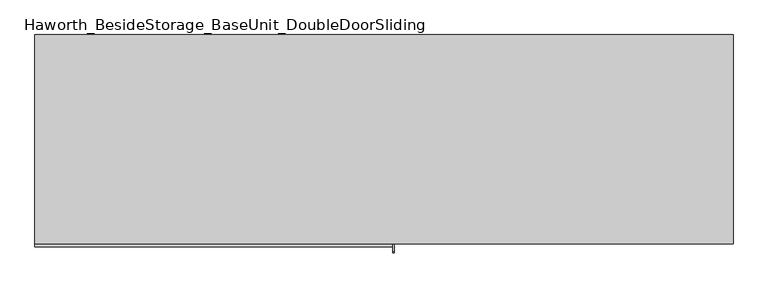
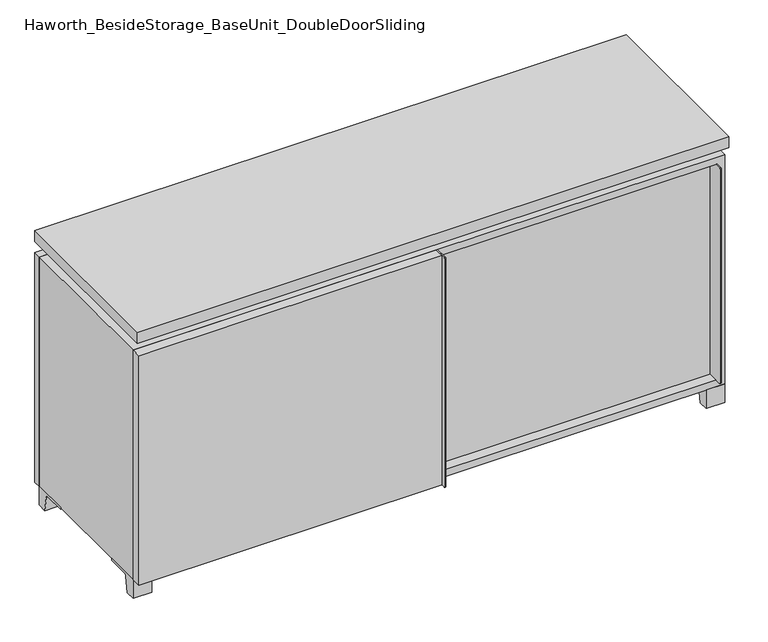
"""IFC4 building model written with IfcOpenShell, lengths in millimetres: furniture geometry, Haworth_BesideStorage_BaseUnit_DoubleDoorSliding."""

import ifcopenshell
import ifcopenshell.guid

model = None  # the IFC model being written
_history = None  # IfcOwnerHistory: only IFC2X3 demands one
_inside = {}  # id of a spatial element -> (the spatial element, [elements in it])
_under = {}  # id of a project, library or spatial element -> (it, [spatial elements below it])
_declared = {}  # id of a project -> (the project, [libraries it declares])
_typed = {}  # id of a type object -> (the type object, [elements of that type])
_made_of = {}  # id of a material, layer set ... -> (it, [elements and type objects made of it])


def new_model(schema):
    """Start an empty IFC model of exactly this schema.

    Asked for "IFC4X3", IfcOpenShell would pick the latest addendum, in which some entities
    have other attributes; the version numbers below select the first issue.
    IFC2X3 requires an IfcOwnerHistory on every rooted entity: one is made here for all.
    """
    global model, _history
    if schema == "IFC4X3":
        model = ifcopenshell.file(schema_version=(4, 3, 0, 0))
    else:
        model = ifcopenshell.file(schema=schema)
    _inside.clear()
    _under.clear()
    _declared.clear()
    _typed.clear()
    _made_of.clear()
    _history = None
    if model.schema == "IFC2X3":
        org = make("IfcOrganization", Name="unknown")
        user = make(
            "IfcPersonAndOrganization",
            ThePerson=make("IfcPerson", FamilyName="unknown"),
            TheOrganization=org,
        )
        app = make(
            "IfcApplication",
            ApplicationDeveloper=org,
            Version="unknown",
            ApplicationFullName="unknown",
            ApplicationIdentifier="unknown",
        )
        _history = make(
            "IfcOwnerHistory",
            OwningUser=user,
            OwningApplication=app,
            ChangeAction="ADDED",
            CreationDate=0,
        )
    return model


def make(cls, **values):
    """One entity of the class cls with the attributes given. An attribute that is None is left unset."""
    return model.create_entity(
        cls, **{name: value for name, value in values.items() if value is not None}
    )


def rooted(cls, **values):
    """An entity with a GlobalId (a new one), such as an element, a storey or a relation."""
    return make(cls, GlobalId=ifcopenshell.guid.new(), OwnerHistory=_history, **values)


def si_unit(unit_type, name, prefix=None):
    """IfcSIUnit, for example si_unit("LENGTHUNIT", "METRE", prefix="MILLI")."""
    return make("IfcSIUnit", UnitType=unit_type, Prefix=prefix, Name=name)


def assignment(units):
    """IfcUnitAssignment: the units of a project."""
    return None if units is None else make("IfcUnitAssignment", Units=units)


def point(xyz):
    """IfcCartesianPoint."""
    return None if xyz is None else make("IfcCartesianPoint", Coordinates=xyz)


def direction(xyz):
    """IfcDirection."""
    return None if xyz is None else make("IfcDirection", DirectionRatios=xyz)


def frame(location, z_axis=None, x_axis=None):
    """IfcAxis2Placement3D, a coordinate frame: its origin and axes. An axis left out is left unset."""
    return make(
        "IfcAxis2Placement3D",
        Location=point(location),
        Axis=direction(z_axis),
        RefDirection=direction(x_axis),
    )


def frame_2d(location, x_axis=None):
    """IfcAxis2Placement2D, a coordinate frame in the plane: its origin and x axis."""
    return make(
        "IfcAxis2Placement2D", Location=point(location), RefDirection=direction(x_axis)
    )


def origin():
    """The frame at (0, 0, 0) with its axes left unset."""
    return frame((0.0, 0.0, 0.0))


def place(relative_to, where):
    """IfcLocalPlacement: puts the frame where relative to a parent placement (None: the world)."""
    return make(
        "IfcLocalPlacement", PlacementRelTo=relative_to, RelativePlacement=where
    )


def context(
    kind, dimensions, precision=None, world=None, true_north=None, identifier=None
):
    """IfcGeometricRepresentationContext, for example the 3D "Model" context."""
    return make(
        "IfcGeometricRepresentationContext",
        ContextIdentifier=identifier,
        ContextType=kind,
        CoordinateSpaceDimension=dimensions,
        Precision=precision,
        WorldCoordinateSystem=world,
        TrueNorth=true_north,
    )


def project(units=None, contexts=None):
    """IfcProject with its units and contexts."""
    return rooted(
        "IfcProject",
        Name="project",
        RepresentationContexts=contexts,
        UnitsInContext=assignment(units),
    )


def spatial(cls, under=None, at=None, **own):
    """A site, building, storey or space (cls), placed at a placement, below another one or the project."""
    s = rooted(cls, ObjectPlacement=at, **own)
    if under is not None:
        _under.setdefault(under.id(), (under, []))[1].append(s)
    return s


def polyline(points):
    """IfcPolyline through the points."""
    return make("IfcPolyline", Points=[point(p) for p in points])


def circle_curve(where, radius):
    """IfcCircle in the frame where."""
    return make("IfcCircle", Position=where, Radius=radius)


def trimmed(basis, trim1, trim2, sense, master):
    """IfcTrimmedCurve: the piece of a basis curve between two trims."""
    return make(
        "IfcTrimmedCurve",
        BasisCurve=basis,
        Trim1=trim1,
        Trim2=trim2,
        SenseAgreement=sense,
        MasterRepresentation=master,
    )


def segment(curve, same_sense, transition):
    """IfcCompositeCurveSegment."""
    return make(
        "IfcCompositeCurveSegment",
        Transition=transition,
        SameSense=same_sense,
        ParentCurve=curve,
    )


def composite_curve(segments, self_intersect=None):
    """IfcCompositeCurve: segments joined end to end."""
    return make("IfcCompositeCurve", Segments=segments, SelfIntersect=self_intersect)


def outline(outer, holes=None, kind="AREA"):
    """IfcArbitraryClosedProfileDef: a profile drawn as a closed curve; with holes, ...WithVoids."""
    if holes is None:
        return make("IfcArbitraryClosedProfileDef", ProfileType=kind, OuterCurve=outer)
    return make(
        "IfcArbitraryProfileDefWithVoids",
        ProfileType=kind,
        OuterCurve=outer,
        InnerCurves=holes,
    )


def extrude(swept, where, along, depth):
    """IfcExtrudedAreaSolid: the profile swept, set in the frame where, extruded along a direction by depth."""
    return make(
        "IfcExtrudedAreaSolid",
        SweptArea=swept,
        Position=where,
        ExtrudedDirection=direction(along),
        Depth=depth,
    )


def faces_of(points, faces, orient=None, outer=None):
    """IfcFace entities. A face is a list of loops; a loop is a list of indices into points, from 0.

    orient and outer hold one flag for each loop. By default every Orientation is true, the
    first loop of a face is its IfcFaceOuterBound and the others are IfcFaceBound.
    """
    made = []
    for i, loops in enumerate(faces):
        bounds = []
        for j, loop in enumerate(loops):
            is_outer = j == 0 if outer is None else outer[i][j]
            bounds.append(
                make(
                    "IfcFaceOuterBound" if is_outer else "IfcFaceBound",
                    Bound=make("IfcPolyLoop", Polygon=[points[k] for k in loop]),
                    Orientation=True if orient is None else orient[i][j],
                )
            )
        made.append(make("IfcFace", Bounds=bounds))
    return made


def faceted_brep(points, faces, orient=None, outer=None, voids=None):
    """IfcFacetedBrep: a solid bounded by flat faces; with voids (closed shells), ...WithVoids."""
    shared = [point(p) for p in points]
    hull = make("IfcClosedShell", CfsFaces=faces_of(shared, faces, orient, outer))
    if voids is None:
        return make("IfcFacetedBrep", Outer=hull)
    return make(
        "IfcFacetedBrepWithVoids",
        Outer=hull,
        Voids=[
            make(cls, CfsFaces=faces_of(shared, fs, o, b)) for cls, fs, o, b in voids
        ],
    )


def shape(context_of_items, identifier, shape_type, items):
    """IfcShapeRepresentation: the items that make up one representation, for example the "Body"."""
    return make(
        "IfcShapeRepresentation",
        ContextOfItems=context_of_items,
        RepresentationIdentifier=identifier,
        RepresentationType=shape_type,
        Items=items,
    )


def source(mapping_origin, context_of_items, identifier, shape_type, items):
    """IfcRepresentationMap: a shape defined once, which mapped items show again and again."""
    return make(
        "IfcRepresentationMap",
        MappingOrigin=mapping_origin,
        MappedRepresentation=shape(context_of_items, identifier, shape_type, items),
    )


def transform(
    local_origin,
    x_axis=None,
    y_axis=None,
    z_axis=None,
    scale=None,
    scale2=None,
    scale3=None,
    uniform=True,
):
    """IfcCartesianTransformationOperator3D, or its non-uniform kind. x_axis, y_axis, z_axis: its Axis1, 2, 3."""
    if uniform:
        return make(
            "IfcCartesianTransformationOperator3D",
            Axis1=direction(x_axis),
            Axis2=direction(y_axis),
            LocalOrigin=point(local_origin),
            Scale=scale,
            Axis3=direction(z_axis),
        )
    return make(
        "IfcCartesianTransformationOperator3DnonUniform",
        Axis1=direction(x_axis),
        Axis2=direction(y_axis),
        LocalOrigin=point(local_origin),
        Scale=scale,
        Axis3=direction(z_axis),
        Scale2=scale2,
        Scale3=scale3,
    )


def mapped(mapping_source, mapping_target):
    """IfcMappedItem: shows the shape of a source again, moved by a transform."""
    return make(
        "IfcMappedItem", MappingSource=mapping_source, MappingTarget=mapping_target
    )


def made_of(thing, what):
    """Note that an element or type object is made of a material, layer set ...; save() writes the relation."""
    if what is not None:
        _made_of.setdefault(what.id(), (what, []))[1].append(thing)
    return thing


def element(
    cls,
    number,
    at=None,
    inside=None,
    cuts=None,
    type_object=None,
    material=None,
    context=None,
    identifier="Body",
    shape_type=None,
    held_by="IfcProductDefinitionShape",
    body=None,
    shapes=None,
    **own,
):
    """One element of the class cls, such as IfcWall. Its Tag is "e" and its number.

    at: its placement. inside: the storey or other place that contains it. cuts: it is an
    opening in that element (IfcRelVoidsElement). A single representation is given by context,
    identifier, shape_type and body (its items); several are given by shapes. held_by: the class
    of the entity that holds the representations. save() writes the other relations.
    """
    e = rooted(cls, Tag="e%d" % number, ObjectPlacement=at, **own)
    if body is not None:
        shapes = [shape(context, identifier, shape_type, body)]
    if shapes is not None:
        e.Representation = make(held_by, Representations=shapes)
    if inside is not None:
        _inside.setdefault(inside.id(), (inside, []))[1].append(e)
    if cuts is not None:
        rooted(
            "IfcRelVoidsElement", RelatingBuildingElement=cuts, RelatedOpeningElement=e
        )
    if type_object is not None:
        _typed.setdefault(type_object.id(), (type_object, []))[1].append(e)
    return made_of(e, material)


def aggregate(whole, parts):
    """IfcRelAggregates: a whole, such as a stair, and the parts it consists of."""
    return rooted("IfcRelAggregates", RelatingObject=whole, RelatedObjects=parts)


def save(model, path):
    """Write the relations noted so far, then the file.

    IfcRelAggregates (storeys below a building ...), IfcRelContainedInSpatialStructure (elements
    in a storey), IfcRelDefinesByType, IfcRelAssociatesMaterial and IfcRelDeclares: one each for
    every whole, place, type object, material and project.
    """
    for whole, parts in _under.values():
        aggregate(whole, parts)
    for where, things in _inside.values():
        rooted(
            "IfcRelContainedInSpatialStructure",
            RelatedElements=things,
            RelatingStructure=where,
        )
    for kind, things in _typed.values():
        rooted("IfcRelDefinesByType", RelatedObjects=things, RelatingType=kind)
    for what, things in _made_of.values():
        rooted("IfcRelAssociatesMaterial", RelatedObjects=things, RelatingMaterial=what)
    for by, libraries in _declared.values():
        rooted("IfcRelDeclares", RelatingContext=by, RelatedDefinitions=libraries)
    model.write(path)


def haworth_besidestorage_baseunit_doubledoorsliding_c6c839fd(model_context):
    return source(origin(), model_context, "Body", "SolidModel", [
        extrude(outline(polyline([(9.5319453, 241.3), (742.9569453, 241.3), (742.9569453, -92.075), (9.5319453, -92.075), (9.5319453, 241.3)])), frame((0.0, 0.0, 354.0125), z_axis=(0.0, 0.0, 1.0), x_axis=(1.0, 0.0, 0.0)), (0.0, 0.0, 1.0), 19.05),
        extrude(outline(polyline([(-9.5041641, 241.3), (-9.5041641, -92.075), (-742.9291641, -92.075), (-742.9291641, 241.3), (-9.5041641, 241.3)])), frame((0.0, 0.0, 354.0125), z_axis=(0.0, 0.0, 1.0), x_axis=(1.0, 0.0, 0.0)), (0.0, 0.0, 1.0), 19.05),
        extrude(outline(composite_curve([segment(polyline([(47.6249864, 0.0), (22.225, 0.0), (22.225, 50.8), (117.475, 50.8), (117.475, 46.0213321), (60.6744655, 46.0213321)]), True, "CONTINUOUS"), segment(trimmed(circle_curve(frame_2d((60.6744655, 39.6713321)), 6.35), [point((60.6744655, 46.0213321))], [point((54.4108641, 40.7152656))], True, "CARTESIAN"), True, "CONTINUOUS"), segment(polyline([(54.4108641, 40.7152656), (47.6249864, 0.0)]), True, "CONTINUOUS")], self_intersect=False)), frame((-23.7986094, 0.0, 0.0), z_axis=(1.0, 0.0, 0.0), x_axis=(0.0, 1.0, 0.0)), (0.0, 0.0, 1.0), 47.625),
        extrude(outline(composite_curve([segment(polyline([(-95.25, 657.225), (-95.25, 69.85), (-161.925, 69.85)]), True, "CONTINUOUS"), segment(trimmed(circle_curve(frame_2d((-161.925, 73.025)), 3.175), [point((-161.925, 69.85))], [point((-165.1, 73.025))], False, "CARTESIAN"), True, "CONTINUOUS"), segment(polyline([(-165.1, 73.025), (-165.1, 654.05)]), True, "CONTINUOUS"), segment(trimmed(circle_curve(frame_2d((-161.925, 654.05)), 3.175), [point((-165.1, 654.05))], [point((-161.925, 657.225))], False, "CARTESIAN"), True, "CONTINUOUS"), segment(polyline([(-161.925, 657.225), (-95.25, 657.225)]), True, "CONTINUOUS")], self_intersect=False)), frame((739.7819453, 0.0, 0.0), z_axis=(1.0, 0.0, 0.0), x_axis=(0.0, 1.0, 0.0)), (0.0, 0.0, 1.0), 3.175),
        extrude(outline(polyline([(15.8819453, -95.25), (739.7819453, -95.25), (739.7819453, -120.65), (15.8819453, -120.65), (15.8819453, -95.25)])), frame((0.0, 0.0, 69.85), z_axis=(0.0, 0.0, 1.0), x_axis=(1.0, 0.0, 0.0)), (0.0, 0.0, 1.0), 587.375),
        extrude(outline(polyline([(762.0138906, 292.1), (762.0138906, -165.1), (-761.9861094, -165.1), (-761.9861094, 292.1), (762.0138906, 292.1)])), frame((0.0, 0.0, 706.4375), z_axis=(0.0, 0.0, 1.0), x_axis=(1.0, 0.0, 0.0)), (0.0, 0.0, 1.0), 30.1625),
        extrude(outline(composite_curve([segment(polyline([(-146.05, 676.275), (-146.05, 50.8), (-180.975, 50.8)]), True, "CONTINUOUS"), segment(trimmed(circle_curve(frame_2d((-180.975, 53.975)), 3.175), [point((-180.975, 50.8))], [point((-184.15, 53.975))], False, "CARTESIAN"), True, "CONTINUOUS"), segment(polyline([(-184.15, 53.975), (-184.15, 673.1)]), True, "CONTINUOUS"), segment(trimmed(circle_curve(frame_2d((-180.975, 673.1)), 3.175), [point((-184.15, 673.1))], [point((-180.975, 676.275))], False, "CARTESIAN"), True, "CONTINUOUS"), segment(polyline([(-180.975, 676.275), (-146.05, 676.275)]), True, "CONTINUOUS")], self_intersect=False)), frame((19.0638906, 0.0, 0.0), z_axis=(1.0, 0.0, 0.0), x_axis=(0.0, 1.0, 0.0)), (0.0, 0.0, 1.0), 3.175),
        extrude(outline(polyline([(-761.9861094, -146.05), (19.0638906, -146.05), (19.0638906, -171.45), (-761.9861094, -171.45), (-761.9861094, -146.05)])), frame((0.0, 0.0, 50.8), z_axis=(0.0, 0.0, 1.0), x_axis=(1.0, 0.0, 0.0)), (0.0, 0.0, 1.0), 625.475),
        extrude(outline(composite_curve([segment(polyline([(-120.6500136, 0.0), (-146.05, 0.0), (-146.05, 50.8), (-50.8, 50.8), (-50.8, 46.0213321), (-107.6005345, 46.0213321)]), True, "CONTINUOUS"), segment(trimmed(circle_curve(frame_2d((-107.6005345, 39.6713321)), 6.35), [point((-107.6005345, 46.0213321))], [point((-113.8641359, 40.7152656))], True, "CARTESIAN"), True, "CONTINUOUS"), segment(polyline([(-113.8641359, 40.7152656), (-120.6500136, 0.0)]), True, "CONTINUOUS")], self_intersect=False)), frame((714.3888906, 0.0, 0.0), z_axis=(1.0, 0.0, 0.0), x_axis=(0.0, 1.0, 0.0)), (0.0, 0.0, 1.0), 47.625),
        extrude(outline(composite_curve([segment(polyline([(247.6500136, 0.0), (240.8641359, 40.7152656)]), True, "CONTINUOUS"), segment(trimmed(circle_curve(frame_2d((234.6005345, 39.6713321)), 6.35), [point((240.8641359, 40.7152656))], [point((234.6005345, 46.0213321))], True, "CARTESIAN"), True, "CONTINUOUS"), segment(polyline([(234.6005345, 46.0213321), (177.8, 46.0213321), (177.8, 50.8), (273.05, 50.8), (273.05, 0.0), (247.6500136, 0.0)]), True, "CONTINUOUS")], self_intersect=False)), frame((714.3888906, 0.0, 0.0), z_axis=(1.0, 0.0, 0.0), x_axis=(0.0, 1.0, 0.0)), (0.0, 0.0, 1.0), 47.625),
        extrude(outline(composite_curve([segment(polyline([(-120.6500136, 0.0), (-146.05, 0.0), (-146.05, 50.8), (-50.8, 50.8), (-50.8, 46.0213321), (-107.6005345, 46.0213321)]), True, "CONTINUOUS"), segment(trimmed(circle_curve(frame_2d((-107.6005345, 39.6713321)), 6.35), [point((-107.6005345, 46.0213321))], [point((-113.8641359, 40.7152656))], True, "CARTESIAN"), True, "CONTINUOUS"), segment(polyline([(-113.8641359, 40.7152656), (-120.6500136, 0.0)]), True, "CONTINUOUS")], self_intersect=False)), frame((-761.9861094, 0.0, 0.0), z_axis=(1.0, 0.0, 0.0), x_axis=(0.0, 1.0, 0.0)), (0.0, 0.0, 1.0), 47.625),
        extrude(outline(composite_curve([segment(polyline([(247.6500136, 0.0), (240.8641359, 40.7152656)]), True, "CONTINUOUS"), segment(trimmed(circle_curve(frame_2d((234.6005345, 39.6713321)), 6.35), [point((240.8641359, 40.7152656))], [point((234.6005345, 46.0213321))], True, "CARTESIAN"), True, "CONTINUOUS"), segment(polyline([(234.6005345, 46.0213321), (177.8, 46.0213321), (177.8, 50.8), (273.05, 50.8), (273.05, 0.0), (247.6500136, 0.0)]), True, "CONTINUOUS")], self_intersect=False)), frame((-761.9861094, 0.0, 0.0), z_axis=(1.0, 0.0, 0.0), x_axis=(0.0, 1.0, 0.0)), (0.0, 0.0, 1.0), 47.625),
        faceted_brep([(7.9513906, -120.65, 706.4375), (7.9513906, -120.65, 676.275), (7.9513906, 53.975, 676.275), (7.9513906, 53.975, 706.4375), (7.9513906, 247.65, 676.275), (7.9513906, 247.65, 706.4375), (7.9513906, 73.025, 706.4375), (7.9513906, 73.025, 676.275), (-7.9236094, 247.65, 706.4375), (-7.9236094, 247.65, 676.275), (-7.9236094, 73.025, 676.275), (-7.9236094, 73.025, 706.4375), (-7.9236094, -120.65, 676.275), (-7.9236094, -120.65, 706.4375), (-7.9236094, 53.975, 706.4375), (-7.9236094, 53.975, 676.275), (-720.6833281, 73.025, 706.4375), (-720.7041641, 247.65, 706.4375), (-736.5791641, 247.65, 706.4375), (-736.5791641, -120.65, 706.4375), (-720.7041641, -120.65, 706.4375), (-720.7041641, 53.975, 706.4375), (720.7111094, 53.975, 706.4375), (720.7111094, -120.65, 706.4375), (736.5861094, -120.65, 706.4375), (736.5861094, 247.65, 706.4375), (720.7111094, 247.65, 706.4375), (720.7111094, 73.025, 706.4375), (-720.6833281, 53.975, 676.275), (-720.7041641, -120.65, 676.275), (-736.5791641, -120.65, 676.275), (-736.5791641, 247.65, 676.275), (-720.7041641, 247.65, 676.275), (-720.7041641, 73.025, 676.275), (720.7111094, 73.025, 676.275), (720.7111094, 247.65, 676.275), (736.5861094, 247.65, 676.275), (736.5861094, -120.65, 676.275), (720.7111094, -120.65, 676.275), (720.7111094, 53.975, 676.275)], [[[0, 1, 2, 3]], [[4, 5, 6, 7]], [[8, 9, 10, 11]], [[12, 13, 14, 15]], [[5, 8, 11, 16, 17, 18, 19, 20, 21, 14, 13, 0, 3, 22, 23, 24, 25, 26, 27, 6]], [[1, 12, 15, 28, 29, 30, 31, 32, 33, 10, 9, 4, 7, 34, 35, 36, 37, 38, 39, 2]], [[5, 4, 9, 8]], [[1, 0, 13, 12]], [[6, 27, 34, 7]], [[22, 3, 2, 39]], [[20, 29, 28, 21]], [[32, 17, 16, 33]], [[18, 31, 30, 19]], [[29, 20, 19, 30]], [[17, 32, 31, 18]], [[26, 35, 34, 27]], [[38, 23, 22, 39]], [[25, 24, 37, 36]], [[23, 38, 37, 24]], [[35, 26, 25, 36]], [[16, 11, 10, 33]], [[14, 21, 28, 15]]]),
        extrude(outline(polyline([(9.5388906, 241.3), (9.5388906, -95.25), (-9.5111094, -95.25), (-9.5111094, 241.3), (9.5388906, 241.3)])), frame((0.0, 0.0, 69.85), z_axis=(0.0, 0.0, 1.0), x_axis=(1.0, 0.0, 0.0)), (0.0, 0.0, 1.0), 587.375),
        extrude(outline(polyline([(15.8888906, -88.9), (15.8888906, -146.05), (-9.5111094, -146.05), (-9.5111094, -120.65), (3.1888906, -120.65), (3.1888906, -88.9), (15.8888906, -88.9)])), frame((0.0, 0.0, 69.85), z_axis=(0.0, 0.0, 1.0), x_axis=(1.0, 0.0, 0.0)), (0.0, 0.0, 1.0), 587.375),
        extrude(outline(polyline([(762.0138906, 273.05), (-761.9861094, 273.05), (-761.9861094, 292.1), (762.0138906, 292.1), (762.0138906, 273.05)])), frame((0.0, 0.0, 50.8), z_axis=(0.0, 0.0, 1.0), x_axis=(1.0, 0.0, 0.0)), (0.0, 0.0, 1.0), 625.475),
        extrude(outline(polyline([(50.8, -761.9861094), (50.8, 762.0), (676.275, 762.0), (676.275, -761.9861094), (50.8, -761.9861094)]), holes=[polyline([(69.85, -742.9361094), (657.225, -742.9361094), (657.225, 742.9361094), (69.85, 742.9361094), (69.85, -742.9361094)])]), frame((0.0, -146.05, 0.0), z_axis=(0.0, 1.0, 0.0), x_axis=(0.0, 0.0, 1.0)), (0.0, 0.0, 1.0), 419.1),
        extrude(outline(polyline([(-742.9291641, 241.3), (-742.9291641, 247.65), (742.9569453, 247.65), (742.9569453, 241.3), (-742.9291641, 241.3)])), frame((0.0, 0.0, 69.85), z_axis=(0.0, 0.0, 1.0), x_axis=(1.0, 0.0, 0.0)), (0.0, 0.0, 1.0), 587.375),
    ])


if __name__ == "__main__":
    model = new_model("IFC4")
    model_context = context("Model", 3, world=origin())
    ifc_project = project(units=[si_unit("LENGTHUNIT", "METRE", prefix="MILLI")], contexts=[model_context])
    site = spatial("IfcSite", under=ifc_project)
    building = spatial("IfcBuilding", under=site)
    placement = place(None, origin())
    haworth_besidestorage_baseunit_doubledoorsliding_shape = haworth_besidestorage_baseunit_doubledoorsliding_c6c839fd(model_context)
    element("IfcFurniture", 1, ObjectType="Haworth_BesideStorage_BaseUnit_DoubleDoorSliding", at=placement, inside=building, context=model_context, shape_type="MappedRepresentation", body=[
        mapped(haworth_besidestorage_baseunit_doubledoorsliding_shape, transform((0.0, 0.0, 0.0), x_axis=(1.0, 0.0, 0.0), y_axis=(0.0, 1.0, 0.0), z_axis=(0.0, 0.0, 1.0))),
    ])
    save(model, "model.ifc")
